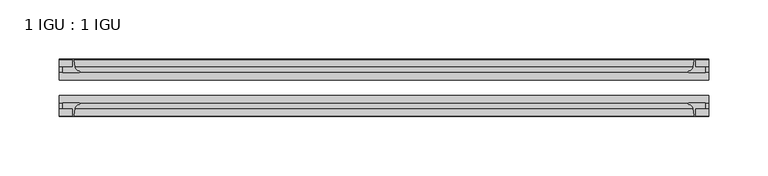
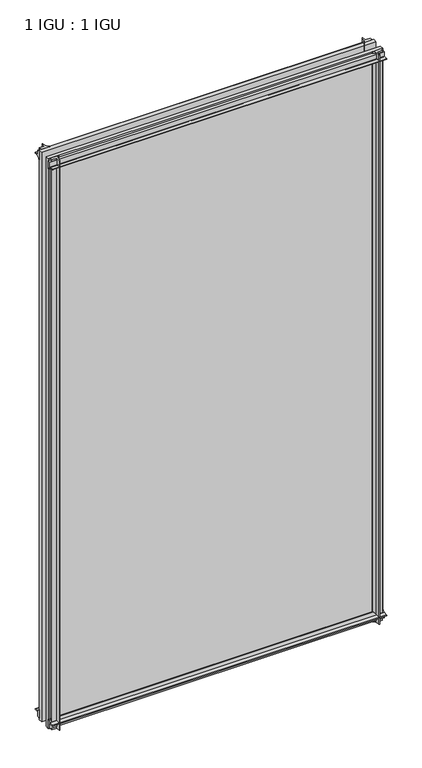
"""IFC4 building model written with IfcOpenShell, lengths in millimetres: plate geometry, 1 IGU : 1 IGU."""

from ifc_helpers import new_model, si_unit, point, frame, frame_2d, origin, place, context, project, spatial, polyline, circle_curve, trimmed, segment, composite_curve, outline, extrude, source, transform, mapped, element, save


def plate_1_igu_1_igu_b6b520bd(model_context):
    return source(origin(), model_context, "Body", "SweptSolid", [
        extrude(outline(composite_curve([segment(polyline([(-42.3267187, -8.2068385), (-47.0892187, -8.2068385), (-47.0892187, 0.0), (-53.563779, 0.0)]), True, "CONTINUOUS"), segment(trimmed(circle_curve(frame_2d((-53.0328134, 0.3482823)), 0.635), [point((-53.563779, 0.0))], [point((-53.0575397, 0.9828007))], False, "CARTESIAN"), True, "CONTINUOUS"), segment(trimmed(circle_curve(frame_2d((-54.2310045, 31.0958559)), 30.1359106), [point((-53.0575397, 0.9828007))], [point((-47.0834032, 1.8198434))], True, "CARTESIAN"), True, "CONTINUOUS"), segment(trimmed(circle_curve(frame_2d((-48.2159797, 6.4587878)), 4.7752), [point((-47.0834032, 1.8198434))], [point((-43.578416, 5.3205707))], True, "CARTESIAN"), True, "CONTINUOUS"), segment(trimmed(circle_curve(frame_2d((-42.9617187, 5.169212)), 0.635), [point((-43.578416, 5.3205707))], [point((-42.3267187, 5.169212))], False, "CARTESIAN"), True, "CONTINUOUS"), segment(polyline([(-42.3267187, 5.169212), (-42.3267187, -8.2068385)]), True, "CONTINUOUS")], self_intersect=False)), frame((-273.05, 0.0, 0.0), z_axis=(1.0, 0.0, 0.0), x_axis=(0.0, 1.0, 0.0)), (0.0, 0.0, 1.0), 546.1),
        extrude(outline(composite_curve([segment(polyline([(-16.9267187, -8.2068385), (-16.9267187, 5.169212)]), True, "CONTINUOUS"), segment(trimmed(circle_curve(frame_2d((-16.2917187, 5.169212)), 0.635), [point((-16.9267187, 5.169212))], [point((-15.6750215, 5.3205707))], False, "CARTESIAN"), True, "CONTINUOUS"), segment(trimmed(circle_curve(frame_2d((-11.0374578, 6.4587878)), 4.7752), [point((-15.6750215, 5.3205707))], [point((-12.1700343, 1.8198434))], True, "CARTESIAN"), True, "CONTINUOUS"), segment(trimmed(circle_curve(frame_2d((-5.022433, 31.0958559)), 30.1359106), [point((-12.1700343, 1.8198434))], [point((-6.1958978, 0.9828007))], True, "CARTESIAN"), True, "CONTINUOUS"), segment(trimmed(circle_curve(frame_2d((-6.2206241, 0.3482823)), 0.635), [point((-6.1958978, 0.9828007))], [point((-5.6896585, 0.0))], False, "CARTESIAN"), True, "CONTINUOUS"), segment(polyline([(-5.6896585, 0.0), (-12.1642187, 0.0), (-12.1642187, -8.2068385), (-16.9267187, -8.2068385)]), True, "CONTINUOUS")], self_intersect=False)), frame((-273.05, 0.0, 0.0), z_axis=(1.0, 0.0, 0.0), x_axis=(0.0, 1.0, 0.0)), (0.0, 0.0, 1.0), 546.1),
        extrude(outline(composite_curve([segment(polyline([(-47.0892188, 962.025), (-47.0892188, 970.2318385), (-42.3267188, 970.2318385), (-42.3267188, 956.855788)]), True, "CONTINUOUS"), segment(trimmed(circle_curve(frame_2d((-42.9617187, 956.855788)), 0.635), [point((-42.3267188, 956.855788))], [point((-43.578416, 956.7044293))], False, "CARTESIAN"), True, "CONTINUOUS"), segment(trimmed(circle_curve(frame_2d((-48.2159797, 955.5662122)), 4.7752), [point((-43.578416, 956.7044293))], [point((-47.0834032, 960.2051566))], True, "CARTESIAN"), True, "CONTINUOUS"), segment(trimmed(circle_curve(frame_2d((-54.2310045, 930.9291441)), 30.1359106), [point((-47.0834032, 960.2051566))], [point((-53.0575397, 961.0421993))], True, "CARTESIAN"), True, "CONTINUOUS"), segment(trimmed(circle_curve(frame_2d((-53.0328134, 961.6767177)), 0.635), [point((-53.0575397, 961.0421993))], [point((-53.563779, 962.025))], False, "CARTESIAN"), True, "CONTINUOUS"), segment(polyline([(-53.563779, 962.025), (-47.0892188, 962.025)]), True, "CONTINUOUS")], self_intersect=False)), frame((-273.05, 0.0, 0.0), z_axis=(1.0, 0.0, 0.0), x_axis=(0.0, 1.0, 0.0)), (0.0, 0.0, 1.0), 546.1),
        extrude(outline(composite_curve([segment(polyline([(-12.1642187, 962.025), (-5.6896585, 962.025)]), True, "CONTINUOUS"), segment(trimmed(circle_curve(frame_2d((-6.2206241, 961.6767177)), 0.635), [point((-5.6896585, 962.025))], [point((-6.1958978, 961.0421993))], False, "CARTESIAN"), True, "CONTINUOUS"), segment(trimmed(circle_curve(frame_2d((-5.022433, 930.9291441)), 30.1359106), [point((-6.1958978, 961.0421993))], [point((-12.1700343, 960.2051566))], True, "CARTESIAN"), True, "CONTINUOUS"), segment(trimmed(circle_curve(frame_2d((-11.0374578, 955.5662122)), 4.7752), [point((-12.1700343, 960.2051566))], [point((-15.6750215, 956.7044293))], True, "CARTESIAN"), True, "CONTINUOUS"), segment(trimmed(circle_curve(frame_2d((-16.2917188, 956.855788)), 0.635), [point((-15.6750215, 956.7044293))], [point((-16.9267188, 956.855788))], False, "CARTESIAN"), True, "CONTINUOUS"), segment(polyline([(-16.9267188, 956.855788), (-16.9267187, 970.2318385), (-12.1642187, 970.2318385), (-12.1642187, 962.025)]), True, "CONTINUOUS")], self_intersect=False)), frame((-273.05, 0.0, 0.0), z_axis=(1.0, 0.0, 0.0), x_axis=(0.0, 1.0, 0.0)), (0.0, 0.0, 1.0), 546.1),
        extrude(outline(composite_curve([segment(polyline([(261.9375, -5.6896585), (261.9375, -12.1642188), (270.1443385, -12.1642188), (270.1443385, -16.9267187), (256.768288, -16.9267187)]), True, "CONTINUOUS"), segment(trimmed(circle_curve(frame_2d((256.768288, -16.2917188)), 0.635), [point((256.768288, -16.9267187))], [point((256.6169293, -15.6750215))], False, "CARTESIAN"), True, "CONTINUOUS"), segment(trimmed(circle_curve(frame_2d((255.4787122, -11.0374578)), 4.7752), [point((256.6169293, -15.6750215))], [point((260.1176566, -12.1700343))], True, "CARTESIAN"), True, "CONTINUOUS"), segment(trimmed(circle_curve(frame_2d((230.8416441, -5.022433)), 30.1359106), [point((260.1176566, -12.1700343))], [point((260.9546993, -6.1958978))], True, "CARTESIAN"), True, "CONTINUOUS"), segment(trimmed(circle_curve(frame_2d((261.5892177, -6.2206241)), 0.635), [point((260.9546993, -6.1958978))], [point((261.9375, -5.6896585))], False, "CARTESIAN"), True, "CONTINUOUS")], self_intersect=False)), frame((0.0, 0.0, -11.1125), z_axis=(0.0, 0.0, 1.0), x_axis=(1.0, 0.0, 0.0)), (0.0, 0.0, 1.0), 984.25),
        extrude(outline(composite_curve([segment(trimmed(circle_curve(frame_2d((261.5892177, -53.0328134)), 0.635), [point((261.9375, -53.563779))], [point((260.9546993, -53.0575397))], False, "CARTESIAN"), True, "CONTINUOUS"), segment(trimmed(circle_curve(frame_2d((230.8416441, -54.2310045)), 30.1359106), [point((260.9546993, -53.0575397))], [point((260.1176566, -47.0834032))], True, "CARTESIAN"), True, "CONTINUOUS"), segment(trimmed(circle_curve(frame_2d((255.4787122, -48.2159797)), 4.7752), [point((260.1176566, -47.0834032))], [point((256.6169293, -43.578416))], True, "CARTESIAN"), True, "CONTINUOUS"), segment(trimmed(circle_curve(frame_2d((256.768288, -42.9617187)), 0.635), [point((256.6169293, -43.578416))], [point((256.768288, -42.3267187))], False, "CARTESIAN"), True, "CONTINUOUS"), segment(polyline([(256.768288, -42.3267187), (270.1443385, -42.3267187), (270.1443385, -47.0892188), (261.9375, -47.0892188), (261.9375, -53.563779)]), True, "CONTINUOUS")], self_intersect=False)), frame((0.0, 0.0, -11.1125), z_axis=(0.0, 0.0, 1.0), x_axis=(1.0, 0.0, 0.0)), (0.0, 0.0, 1.0), 984.25),
        extrude(outline(composite_curve([segment(trimmed(circle_curve(frame_2d((-261.5892177, -6.2206241)), 0.635), [point((-261.9375, -5.6896585))], [point((-260.9546993, -6.1958978))], False, "CARTESIAN"), True, "CONTINUOUS"), segment(trimmed(circle_curve(frame_2d((-230.8416441, -5.022433)), 30.1359106), [point((-260.9546993, -6.1958978))], [point((-260.1176566, -12.1700343))], True, "CARTESIAN"), True, "CONTINUOUS"), segment(trimmed(circle_curve(frame_2d((-255.4787122, -11.0374578)), 4.7752), [point((-260.1176566, -12.1700343))], [point((-256.6169293, -15.6750215))], True, "CARTESIAN"), True, "CONTINUOUS"), segment(trimmed(circle_curve(frame_2d((-256.768288, -16.2917187)), 0.635), [point((-256.6169293, -15.6750215))], [point((-256.768288, -16.9267187))], False, "CARTESIAN"), True, "CONTINUOUS"), segment(polyline([(-256.768288, -16.9267187), (-270.1443385, -16.9267187), (-270.1443385, -12.1642187), (-261.9375, -12.1642187), (-261.9375, -5.6896585)]), True, "CONTINUOUS")], self_intersect=False)), frame((0.0, 0.0, -11.1125), z_axis=(0.0, 0.0, 1.0), x_axis=(1.0, 0.0, 0.0)), (0.0, 0.0, 1.0), 984.25),
        extrude(outline(composite_curve([segment(polyline([(-261.9375, -53.563779), (-261.9375, -47.0892187), (-270.1443385, -47.0892187), (-270.1443385, -42.3267188), (-256.768288, -42.3267188)]), True, "CONTINUOUS"), segment(trimmed(circle_curve(frame_2d((-256.768288, -42.9617187)), 0.635), [point((-256.768288, -42.3267188))], [point((-256.6169293, -43.578416))], False, "CARTESIAN"), True, "CONTINUOUS"), segment(trimmed(circle_curve(frame_2d((-255.4787122, -48.2159797)), 4.7752), [point((-256.6169293, -43.578416))], [point((-260.1176566, -47.0834032))], True, "CARTESIAN"), True, "CONTINUOUS"), segment(trimmed(circle_curve(frame_2d((-230.8416441, -54.2310045)), 30.1359106), [point((-260.1176566, -47.0834032))], [point((-260.9546993, -53.0575397))], True, "CARTESIAN"), True, "CONTINUOUS"), segment(trimmed(circle_curve(frame_2d((-261.5892177, -53.0328134)), 0.635), [point((-260.9546993, -53.0575397))], [point((-261.9375, -53.563779))], False, "CARTESIAN"), True, "CONTINUOUS")], self_intersect=False)), frame((0.0, 0.0, -11.1125), z_axis=(0.0, 0.0, 1.0), x_axis=(1.0, 0.0, 0.0)), (0.0, 0.0, 1.0), 984.25),
        extrude(outline(polyline([(273.05, -16.9267187), (273.05, -23.2259187), (-273.05, -23.2259187), (-273.05, -16.9267187), (273.05, -16.9267187)])), frame((0.0, 0.0, -11.1125), z_axis=(0.0, 0.0, 1.0), x_axis=(1.0, 0.0, 0.0)), (0.0, 0.0, 1.0), 984.25),
        extrude(outline(polyline([(273.05, -36.0275187), (273.05, -42.3267187), (-273.05, -42.3267187), (-273.05, -36.0275187), (273.05, -36.0275187)])), frame((0.0, 0.0, -11.1125), z_axis=(0.0, 0.0, 1.0), x_axis=(1.0, 0.0, 0.0)), (0.0, 0.0, 1.0), 984.25),
    ])


if __name__ == "__main__":
    model = new_model("IFC4")
    model_context = context("Model", 3, world=origin())
    ifc_project = project(units=[si_unit("LENGTHUNIT", "METRE", prefix="MILLI")], contexts=[model_context])
    site = spatial("IfcSite", under=ifc_project)
    building = spatial("IfcBuilding", under=site)
    placement = place(None, origin())
    plate_1_igu_1_igu_shape = plate_1_igu_1_igu_b6b520bd(model_context)
    element("IfcPlate", 1, ObjectType="1 IGU : 1 IGU", at=placement, inside=building, context=model_context, shape_type="MappedRepresentation", body=[
        mapped(plate_1_igu_1_igu_shape, transform((0.0, 0.0, 0.0), x_axis=(1.0, 0.0, 0.0), y_axis=(0.0, 1.0, 0.0), z_axis=(0.0, 0.0, 1.0))),
    ])
    save(model, "model.ifc")
